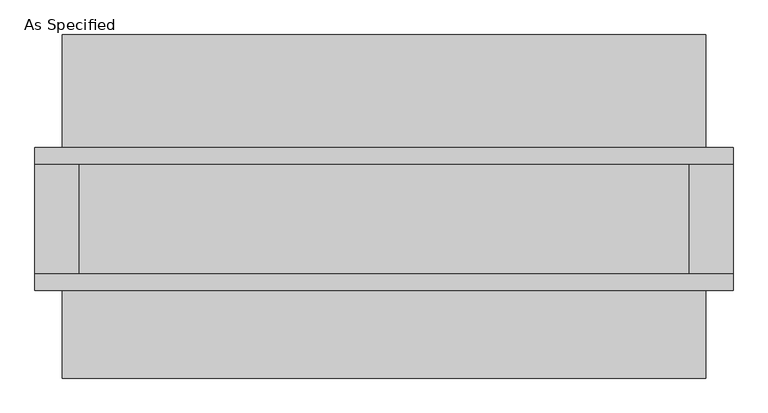
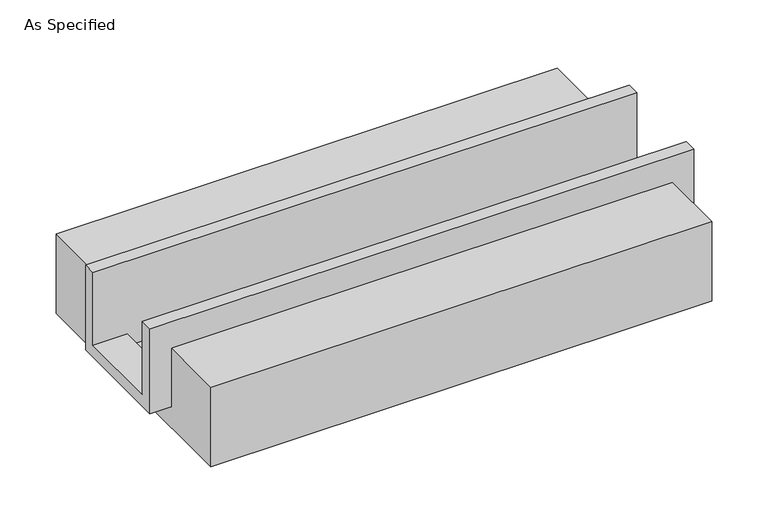
"""IFC4 building model written with IfcOpenShell, lengths in millimetres: proxy geometry, As Specified."""

from ifc_helpers import new_model, si_unit, frame, origin, place, context, project, spatial, polyline, outline, extrude, faceted_brep, source, transform, mapped, element, save


def as_specified_7f18875d(model_context):
    return source(origin(), model_context, "Body", "SolidModel", [
        faceted_brep([(-1612.9, 196.85, 139.7), (-1612.9, 273.05, 139.7), (-1612.9, 273.05, -393.7), (-1612.9, -387.35, -393.7), (-1612.9, -387.35, 139.7), (-1612.9, -311.15, 139.7), (-1612.9, -311.15, -317.5), (-1612.9, 196.85, -317.5), (1612.9, 196.85, 139.7), (1612.9, 196.85, -317.5), (1612.9, -311.15, -317.5), (1612.9, -311.15, 139.7), (1612.9, -387.35, 139.7), (1612.9, -387.35, -393.7), (1612.9, 273.05, -393.7), (1612.9, 273.05, 139.7), (1409.7, -311.15, -393.7), (1409.7, 196.85, -393.7), (-1409.7, 196.85, -393.7), (-1409.7, -311.15, -393.7), (1409.7, -311.15, -317.5), (-1409.7, -311.15, -317.5), (-1409.7, 196.85, -317.5), (1409.7, 196.85, -317.5)], [[[0, 1, 2, 3, 4, 5, 6, 7]], [[8, 9, 10, 11, 12, 13, 14, 15]], [[1, 0, 8, 15]], [[2, 1, 15, 14]], [[3, 2, 14, 13], [16, 17, 18, 19]], [[4, 3, 13, 12]], [[5, 4, 12, 11]], [[6, 5, 11, 10, 20, 16, 19, 21]], [[7, 6, 21, 22]], [[10, 9, 23, 20]], [[0, 7, 22, 18, 17, 23, 9, 8]], [[16, 20, 23, 17]], [[21, 19, 18, 22]]]),
        extrude(outline(polyline([(793.75, -25.4), (793.75, -523.9742188), (-793.75, -523.9742188), (-793.75, -25.4), (-387.35, -25.4), (-387.35, -393.7), (273.05, -393.7), (273.05, -25.4), (793.75, -25.4)])), frame((-1485.9, 0.0, 0.0), z_axis=(1.0, 0.0, 0.0), x_axis=(0.0, 1.0, 0.0)), (0.0, 0.0, 1.0), 2971.8),
    ])


if __name__ == "__main__":
    model = new_model("IFC4")
    model_context = context("Model", 3, world=origin())
    ifc_project = project(units=[si_unit("LENGTHUNIT", "METRE", prefix="MILLI")], contexts=[model_context])
    site = spatial("IfcSite", under=ifc_project)
    building = spatial("IfcBuilding", under=site)
    placement = place(None, origin())
    as_specified_shape = as_specified_7f18875d(model_context)
    element("IfcBuildingElementProxy", 1, Name="As Specified", ObjectType="As Specified", at=placement, inside=building, context=model_context, shape_type="MappedRepresentation", body=[
        mapped(as_specified_shape, transform((0.0, 0.0, 0.0), x_axis=(1.0, 0.0, 0.0), y_axis=(0.0, 1.0, 0.0), z_axis=(0.0, 0.0, 1.0))),
    ])
    save(model, "model.ifc")
